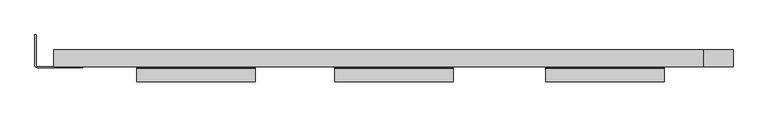
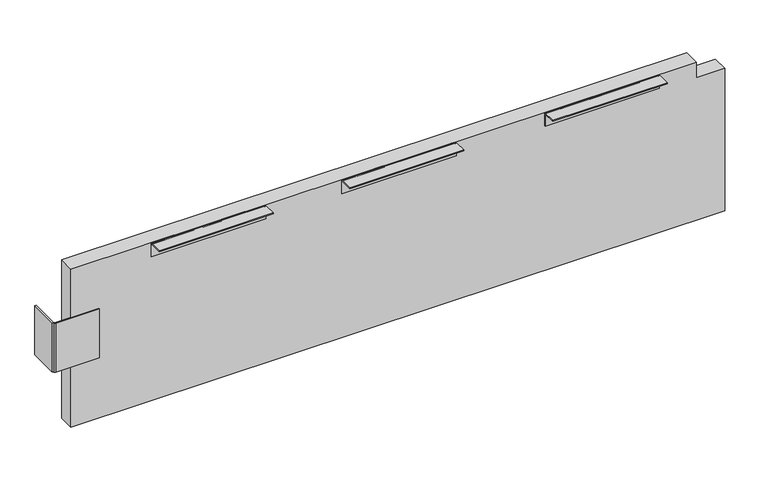
"""IFC4 building model written with IfcOpenShell, lengths in millimetres: furniture geometry."""

from ifc_helpers import new_model, si_unit, point, frame, frame_2d, origin, place, context, project, spatial, polyline, circle_curve, trimmed, segment, composite_curve, outline, extrude, source, transform, mapped, element, save


def furniture_9cfd11a9(model_context):
    return source(origin(), model_context, "Body", "SweptSolid", [
        extrude(outline(polyline([(681.1999901, 1167.8008844), (681.1999901, 1116.5008907), (711.1999758, 1116.5008907), (711.1999758, 4.0609102), (413.0100011, 4.0609102), (413.0100011, 1167.8008844), (681.1999901, 1167.8008844)])), frame((0.0, -325.339989, 0.0), z_axis=(0.0, 1.0, 0.0), x_axis=(0.0, 0.0, 1.0)), (0.0, 0.0, 1.0), 28.8299984),
        extrude(outline(composite_curve([segment(polyline([(-350.7400011, 709.2950048), (-350.7400011, 711.1999758), (-328.0070137, 711.1999758), (-326.121155, 710.4188461), (-325.339989, 708.5329874), (-325.339989, 685.8), (-327.2449963, 685.8), (-327.2449963, 708.5503714)]), True, "CONTINUOUS"), segment(trimmed(circle_curve(frame_2d((-327.9896297, 708.5503714)), 0.7446334), [point((-327.2449963, 708.5503714))], [point((-327.9896297, 709.2950048))], True, "CARTESIAN"), True, "CONTINUOUS"), segment(polyline([(-327.9896297, 709.2950048), (-350.7400011, 709.2950048)]), True, "CONTINUOUS")], self_intersect=False)), frame((485.1009103, 0.0, 0.0), z_axis=(1.0, 0.0, 0.0), x_axis=(0.0, 1.0, 0.0)), (0.0, 0.0, 1.0), 203.2),
        extrude(outline(composite_curve([segment(polyline([(-350.7400011, 709.2950048), (-350.7400011, 711.1999758), (-328.0070137, 711.1999758), (-326.121155, 710.4188461), (-325.339989, 708.5329874), (-325.339989, 685.8), (-327.2449963, 685.8), (-327.2449963, 708.5503714)]), True, "CONTINUOUS"), segment(trimmed(circle_curve(frame_2d((-327.9896297, 708.5503714)), 0.7446334), [point((-327.2449963, 708.5503714))], [point((-327.9896297, 709.2950048))], True, "CARTESIAN"), True, "CONTINUOUS"), segment(polyline([(-327.9896297, 709.2950048), (-350.7400011, 709.2950048)]), True, "CONTINUOUS")], self_intersect=False)), frame((847.0509103, 0.0, 0.0), z_axis=(1.0, 0.0, 0.0), x_axis=(0.0, 1.0, 0.0)), (0.0, 0.0, 1.0), 203.2),
        extrude(outline(composite_curve([segment(polyline([(-350.7400011, 709.2950048), (-350.7400011, 711.1999758), (-328.0070137, 711.1999758), (-326.121155, 710.4188461), (-325.339989, 708.5329874), (-325.339989, 685.8), (-327.2449963, 685.8), (-327.2449963, 708.5503714)]), True, "CONTINUOUS"), segment(trimmed(circle_curve(frame_2d((-327.9896297, 708.5503714)), 0.7446334), [point((-327.2449963, 708.5503714))], [point((-327.9896297, 709.2950048))], True, "CARTESIAN"), True, "CONTINUOUS"), segment(polyline([(-327.9896297, 709.2950048), (-350.7400011, 709.2950048)]), True, "CONTINUOUS")], self_intersect=False)), frame((146.0959103, 0.0, 0.0), z_axis=(1.0, 0.0, 0.0), x_axis=(0.0, 1.0, 0.0)), (0.0, 0.0, 1.0), 203.2),
        extrude(outline(polyline([(-28.6499886, -270.7700096), (-26.6499903, -270.7700096), (-26.6499903, -323.3400021), (-26.0642044, -324.7542326), (-24.6499898, -325.339989), (53.1100122, -325.339989), (53.1100122, -327.3400123), (-24.6499898, -327.3400123), (-27.4784168, -326.1684268), (-28.6499886, -323.3400021), (-28.6499886, -270.7700096)])), frame((0.0, 0.0, 528.1939951), z_axis=(0.0, 0.0, 1.0), x_axis=(1.0, 0.0, 0.0)), (0.0, 0.0, 1.0), 92.0749758),
    ])


if __name__ == "__main__":
    model = new_model("IFC4")
    model_context = context("Model", 3, world=origin())
    ifc_project = project(units=[si_unit("LENGTHUNIT", "METRE", prefix="MILLI")], contexts=[model_context])
    site = spatial("IfcSite", under=ifc_project)
    building = spatial("IfcBuilding", under=site)
    placement = place(None, origin())
    furniture_shape = furniture_9cfd11a9(model_context)
    element("IfcFurniture", 1, at=placement, inside=building, context=model_context, shape_type="MappedRepresentation", body=[
        mapped(furniture_shape, transform((0.0, 0.0, 0.0), x_axis=(1.0, 0.0, 0.0), y_axis=(0.0, 1.0, 0.0), z_axis=(0.0, 0.0, 1.0))),
    ])
    save(model, "model.ifc")
